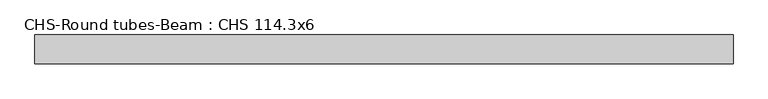
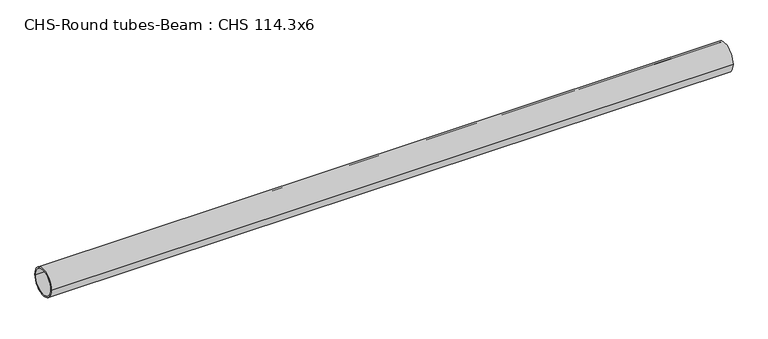
"""IFC4 building model written with IfcOpenShell, lengths in millimetres: beam geometry, CHS-Round tubes-Beam : CHS 114.3x6."""

from ifc_helpers import new_model, si_unit, point, frame, origin, origin_2d, place, context, project, spatial, circle_curve, trimmed, segment, composite_curve, outline, extrude, source, transform, mapped, element, save


def chs_round_tubes_beam_chs_114_3x6_0bd8fd6e(model_context):
    return source(origin(), model_context, "Body", "SweptSolid", [
        extrude(outline(composite_curve([segment(trimmed(circle_curve(origin_2d(), 57.15), [point((57.15, 0.0))], [point((-57.15, 0.0))], False, "CARTESIAN"), True, "CONTINUOUS"), segment(trimmed(circle_curve(origin_2d(), 57.15), [point((-57.15, 0.0))], [point((57.15, 0.0))], False, "CARTESIAN"), True, "CONTINUOUS")], self_intersect=False), holes=[composite_curve([segment(trimmed(circle_curve(origin_2d(), 51.15), [point((51.15, 0.0))], [point((-51.15, 0.0))], True, "CARTESIAN"), True, "CONTINUOUS"), segment(trimmed(circle_curve(origin_2d(), 51.15), [point((-51.15, 0.0))], [point((51.15, 0.0))], True, "CARTESIAN"), True, "CONTINUOUS")], self_intersect=False)]), frame((-1332.9753848, 0.0, 0.0), z_axis=(1.0, 0.0, 0.0), x_axis=(0.0, 1.0, 0.0)), (0.0, 0.0, 1.0), 2761.404238),
    ])


if __name__ == "__main__":
    model = new_model("IFC4")
    model_context = context("Model", 3, world=origin())
    ifc_project = project(units=[si_unit("LENGTHUNIT", "METRE", prefix="MILLI")], contexts=[model_context])
    site = spatial("IfcSite", under=ifc_project)
    building = spatial("IfcBuilding", under=site)
    placement = place(None, origin())
    chs_round_tubes_beam_chs_114_3x6_shape = chs_round_tubes_beam_chs_114_3x6_0bd8fd6e(model_context)
    element("IfcBeam", 1, ObjectType="CHS-Round tubes-Beam : CHS 114.3x6", at=placement, inside=building, context=model_context, shape_type="MappedRepresentation", body=[
        mapped(chs_round_tubes_beam_chs_114_3x6_shape, transform((0.0, 0.0, 0.0), x_axis=(1.0, 0.0, 0.0), y_axis=(0.0, 1.0, 0.0), z_axis=(0.0, 0.0, 1.0))),
    ])
    save(model, "model.ifc")
